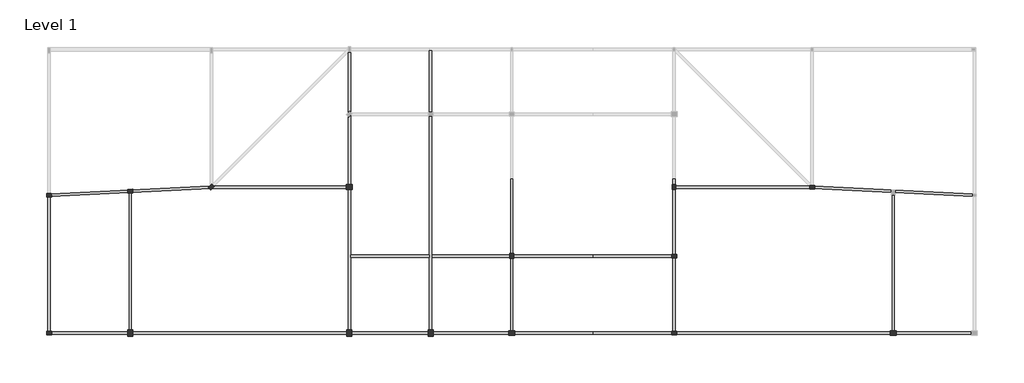
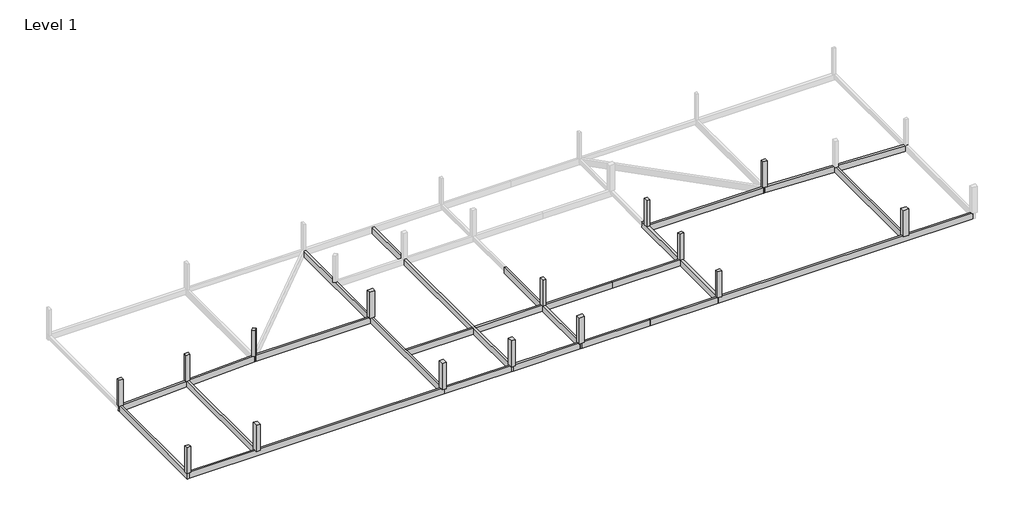
# One storey, part 1 of 2: 21 beams, 15 columns.
"""IFC4 building model written with IfcOpenShell, lengths in millimetres."""

from ifc_helpers import new_model, si_unit, frame, origin, origin_with_axes, place, context, project, spatial, polyline, outline, extrude, faceted_brep, element, save

model = new_model("IFC4")

# Units and contexts
model_context = context("Model", 3, world=origin())
ifc_project = project(units=[si_unit("LENGTHUNIT", "METRE", prefix="MILLI")], contexts=[model_context])

# Site, building, storey
site = spatial("IfcSite", under=ifc_project)
building = spatial("IfcBuilding", under=site)
storey = spatial("IfcBuildingStorey", under=building, Name="Level 1", Elevation=0.0)

# Beams
placement = place(None, origin())
element("IfcBeam", 1, ObjectType="M_Concrete-Rectangular Beam : 300 x 900mm", at=placement, inside=storey, context=model_context, shape_type="Brep", body=[
    faceted_brep([(4827.3778836, -7104.0145569, 0.0), (4527.3778836, -7104.0145569, 0.0), (4527.3778836, -6979.7504882, 0.0), (4527.3778836, -6899.1951396, 0.0), (-15172.6221164, -7884.1951396, 0.0), (-15472.6221164, -7899.1951396, 0.0), (-15472.6221164, -8199.5699055, 0.0), (-15172.6221164, -8184.5699055, 0.0), (-5472.6221164, -7699.5699055, 0.0), (-5172.6221164, -7684.5699055, 0.0), (4681.1255428, -7191.8825226, 0.0), (4827.3778836, -7184.5699055, 0.0), (4827.3778836, -7184.5699055, -900.0), (-15472.6221164, -8199.5699055, -900.0), (-15172.6221164, -8184.5699055, -900.0), (-5472.6221164, -7699.5699055, -900.0), (-5172.6221164, -7684.5699055, -900.0), (4681.1255428, -7191.8825226, -900.0), (4527.3778836, -7104.0145569, -900.0), (4827.3778836, -7104.0145569, -900.0), (-15472.6221164, -7899.1951396, -900.0), (4527.3778836, -6899.1951396, -900.0), (4527.3778836, -6979.7504882, -900.0), (-15472.6221164, -7899.1951396, -600.0)], [[[0, 1, 2, 3, 4, 5, 6, 7, 8, 9, 10, 11]], [[12, 11, 10, 9, 8, 7, 6, 13, 14, 15, 16, 17]], [[18, 19, 12, 17, 16, 15, 14, 13, 20, 21, 22]], [[3, 21, 20, 23, 5, 4]], [[21, 3, 2, 1, 18, 22]], [[18, 1, 0, 19]], [[11, 12, 19, 0]], [[6, 5, 23, 20, 13]]]),
])
element("IfcBeam", 2, ObjectType="M_Concrete-Rectangular Beam : 300 x 900mm", at=placement, inside=storey, context=model_context, shape_type="Brep", body=[
    faceted_brep([(-15472.6221164, -25191.8825226, 0.0), (-15172.6221164, -25191.8825226, 0.0), (-15172.6221164, -24891.8825226, 0.0), (-15172.6221164, -8184.5699055, 0.0), (-15472.6221164, -8199.5699055, 0.0), (-15472.6221164, -25191.8825226, -900.0), (-15472.6221164, -8199.5699055, -900.0), (-15172.6221164, -25191.8825226, -900.0), (-15172.6221164, -8184.5699055, -900.0), (-15172.6221164, -24891.8825226, -900.0)], [[[0, 1, 2, 3, 4]], [[5, 0, 4, 6]], [[7, 5, 6, 8, 9]], [[1, 7, 9, 8, 3, 2]], [[4, 3, 8, 6]], [[1, 0, 5, 7]]]),
])
element("IfcBeam", 3, ObjectType="M_Concrete-Rectangular Beam : 300 x 900mm", at=placement, inside=storey, context=model_context, shape_type="Brep", body=[
    faceted_brep([(21827.3778836, -25191.8825226, 0.0), (21827.3778836, -24891.8825226, 0.0), (21527.3778836, -24891.8825226, 0.0), (-5172.6221164, -24891.8825226, 0.0), (-5472.6221164, -24891.8825226, 0.0), (-15172.6221164, -24891.8825226, 0.0), (-15172.6221164, -25191.8825226, 0.0), (21827.3778836, -25191.8825226, -900.0), (-15172.6221164, -25191.8825226, -900.0), (21827.3778836, -24891.8825226, -900.0), (-15172.6221164, -24891.8825226, -900.0), (-5472.6221164, -24891.8825226, -900.0), (-5172.6221164, -24891.8825226, -900.0), (21527.3778836, -24891.8825226, -900.0)], [[[0, 1, 2, 3, 4, 5, 6]], [[7, 0, 6, 8]], [[9, 7, 8, 10, 11, 12, 13]], [[1, 9, 13, 12, 11, 10, 5, 4, 3, 2]], [[6, 5, 10, 8]], [[1, 0, 7, 9]]]),
])
element("IfcBeam", 4, ObjectType="M_Concrete-Rectangular Beam : 300 x 900mm", at=placement, inside=storey, context=model_context, shape_type="Brep", body=[
    faceted_brep([(21527.3778836, -24891.8825226, 0.0), (21827.3778836, -24891.8825226, 0.0), (21827.3778836, -15691.8825226, 0.0), (21827.3778836, -15391.8825226, 0.0), (21827.3778836, 1808.1174774, 0.0), (21827.3778836, 2108.1174774, 0.0), (21827.3778836, 9608.1174774, 0.0), (21827.3778836, 9808.1174774, 0.0), (21827.3778836, 9895.9854431, 0.0), (21527.3778836, 9595.9854431, 0.0), (21527.3778836, -6891.8825226, 0.0), (21527.3778836, -7191.8825226, 0.0), (21527.3778836, -24891.8825226, -900.0), (21527.3778836, 9595.9854431, -900.0), (21527.3778836, -6891.8825226, -900.0), (21527.3778836, -7191.8825226, -900.0), (21827.3778836, -24891.8825226, -900.0), (21827.3778836, 9895.9854431, -900.0), (21827.3778836, 9808.1174774, -900.0), (21827.3778836, 2108.1174774, -900.0), (21827.3778836, 1808.1174774, -900.0), (21827.3778836, -15391.8825226, -900.0), (21827.3778836, -15691.8825226, -900.0)], [[[0, 1, 2, 3, 4, 5, 6, 7, 8, 9, 10, 11]], [[12, 0, 11, 10, 9, 13, 14, 15]], [[16, 12, 15, 14, 13, 17, 18, 19, 20, 21, 22]], [[8, 7, 6, 5, 4, 3, 2, 1, 16, 22, 21, 20, 19, 18, 17]], [[1, 0, 12, 16]], [[9, 8, 17, 13]]]),
])
element("IfcBeam", 5, ObjectType="M_Concrete-Rectangular Beam : 300 x 900mm", at=placement, inside=storey, context=model_context, shape_type="SweptSolid", body=[
    extrude(outline(polyline([(-5472.6221164, -7699.5699055), (-5172.6221164, -7684.5699055), (-5172.6221164, -24891.8825226), (-5472.6221164, -24891.8825226), (-5472.6221164, -7699.5699055)])), frame((0.0, 0.0, -900.0), z_axis=(0.0, 0.0, 1.0), x_axis=(1.0, 0.0, 0.0)), (0.0, 0.0, 1.0), 900.0),
])
element("IfcBeam", 6, ObjectType="M_Concrete-Rectangular Beam : 300 x 900mm", at=placement, inside=storey, context=model_context, shape_type="SweptSolid", body=[
    extrude(outline(polyline([(4827.3778836, -7104.0145569), (5039.509918, -6891.8825226), (21527.3778836, -6891.8825226), (21527.3778836, -7191.8825226), (4681.1255428, -7191.8825226), (4827.3778836, -7184.5699055), (4827.3778836, -7104.0145569)])), frame((0.0, 0.0, -900.0), z_axis=(0.0, 0.0, 1.0), x_axis=(1.0, 0.0, 0.0)), (0.0, 0.0, 1.0), 900.0),
])
element("IfcBeam", 7, ObjectType="M_Concrete-Rectangular Beam : 300 x 900mm", at=placement, inside=storey, context=model_context, shape_type="Brep", body=[
    faceted_brep([(41827.3778836, -6041.8825226, 0.0), (41527.3778836, -6041.8825226, 0.0), (41527.3778836, -15391.8825226, 0.0), (41527.3778836, -15691.8825226, 0.0), (41527.3778836, -24891.8825226, 0.0), (41527.3778836, -25191.8825226, 0.0), (41827.3778836, -25191.8825226, 0.0), (41827.3778836, -24891.8825226, 0.0), (41827.3778836, -15691.8825226, 0.0), (41827.3778836, -15391.8825226, 0.0), (41827.3778836, -6041.8825226, -900.0), (41827.3778836, -6041.8825226, -600.0), (41827.3778836, -25191.8825226, -900.0), (41827.3778836, -24891.8825226, -900.0), (41827.3778836, -15691.8825226, -900.0), (41827.3778836, -15391.8825226, -900.0), (41527.3778836, -6041.8825226, -900.0), (41527.3778836, -25191.8825226, -900.0), (41527.3778836, -24891.8825226, -900.0), (41527.3778836, -15691.8825226, -900.0), (41527.3778836, -15391.8825226, -900.0), (41527.3778836, -6041.8825226, -600.0)], [[[0, 1, 2, 3, 4, 5, 6, 7, 8, 9]], [[10, 11, 0, 9, 8, 7, 6, 12, 13, 14, 15]], [[16, 10, 15, 14, 13, 12, 17, 18, 19, 20]], [[1, 21, 16, 20, 19, 18, 17, 5, 4, 3, 2]], [[16, 21, 1, 0, 11, 10]], [[6, 5, 17, 12]]]),
])
element("IfcBeam", 8, ObjectType="M_Concrete-Rectangular Beam : 300 x 900mm", at=placement, inside=storey, context=model_context, shape_type="Brep", body=[
    faceted_brep([(31527.3778836, -25191.8825226, 0.0), (31827.3778836, -25191.8825226, 0.0), (31827.3778836, -24891.8825226, 0.0), (31827.3778836, -15691.8825226, 0.0), (31827.3778836, -15391.8825226, 0.0), (31827.3778836, 1808.1174774, 0.0), (31827.3778836, 2108.1174774, 0.0), (31827.3778836, 9808.1174774, 0.0), (31527.3778836, 9808.1174774, 0.0), (31527.3778836, 2108.1174774, 0.0), (31527.3778836, 1808.1174774, 0.0), (31527.3778836, -15391.8825226, 0.0), (31527.3778836, -15691.8825226, 0.0), (31527.3778836, -24891.8825226, 0.0), (31827.3778836, -25191.8825226, -900.0), (31827.3778836, -24891.8825226, -900.0), (31827.3778836, -15691.8825226, -900.0), (31827.3778836, -15391.8825226, -900.0), (31827.3778836, 1808.1174774, -900.0), (31827.3778836, 2108.1174774, -900.0), (31827.3778836, 9808.1174774, -900.0), (31527.3778836, -25191.8825226, -900.0), (31527.3778836, -24891.8825226, -900.0), (31527.3778836, -15691.8825226, -900.0), (31527.3778836, -15391.8825226, -900.0), (31527.3778836, 1808.1174774, -900.0), (31527.3778836, 2108.1174774, -900.0), (31527.3778836, 9808.1174774, -900.0)], [[[0, 1, 2, 3, 4, 5, 6, 7, 8, 9, 10, 11, 12, 13]], [[1, 14, 15, 16, 17, 18, 19, 20, 7, 6, 5, 4, 3, 2]], [[14, 21, 22, 23, 24, 25, 26, 27, 20, 19, 18, 17, 16, 15]], [[21, 0, 13, 12, 11, 10, 9, 8, 27, 26, 25, 24, 23, 22]], [[8, 7, 20, 27]], [[1, 0, 21, 14]]]),
])
element("IfcBeam", 9, ObjectType="M_Concrete-Rectangular Beam : 300 x 900mm", at=placement, inside=storey, context=model_context, shape_type="SweptSolid", body=[
    extrude(outline(polyline([(41527.3778836, -24891.8825226), (41527.3778836, -25191.8825226), (31827.3778836, -25191.8825226), (31827.3778836, -24891.8825226), (41527.3778836, -24891.8825226)])), frame((0.0, 0.0, -900.0), z_axis=(0.0, 0.0, 1.0), x_axis=(1.0, 0.0, 0.0)), (0.0, 0.0, 1.0), 900.0),
])
element("IfcBeam", 10, ObjectType="M_Concrete-Rectangular Beam : 300 x 900mm", at=placement, inside=storey, context=model_context, shape_type="SweptSolid", body=[
    extrude(outline(polyline([(41527.3778836, -15391.8825226), (41527.3778836, -15691.8825226), (31827.3778836, -15691.8825226), (31827.3778836, -15391.8825226), (41527.3778836, -15391.8825226)])), frame((0.0, 0.0, -900.0), z_axis=(0.0, 0.0, 1.0), x_axis=(1.0, 0.0, 0.0)), (0.0, 0.0, 1.0), 900.0),
])
element("IfcBeam", 11, ObjectType="M_Concrete-Rectangular Beam : 300 x 900mm", at=placement, inside=storey, context=model_context, shape_type="SweptSolid", body=[
    extrude(outline(polyline([(31527.3778836, -24891.8825226), (31527.3778836, -25191.8825226), (21827.3778836, -25191.8825226), (21827.3778836, -24891.8825226), (31527.3778836, -24891.8825226)])), frame((0.0, 0.0, -900.0), z_axis=(0.0, 0.0, 1.0), x_axis=(1.0, 0.0, 0.0)), (0.0, 0.0, 1.0), 900.0),
])
element("IfcBeam", 12, ObjectType="M_Concrete-Rectangular Beam : 300 x 900mm", at=placement, inside=storey, context=model_context, shape_type="SweptSolid", body=[
    extrude(outline(polyline([(31527.3778836, -15391.8825226), (31527.3778836, -15691.8825226), (21827.3778836, -15691.8825226), (21827.3778836, -15391.8825226), (31527.3778836, -15391.8825226)])), frame((0.0, 0.0, -900.0), z_axis=(0.0, 0.0, 1.0), x_axis=(1.0, 0.0, 0.0)), (0.0, 0.0, 1.0), 900.0),
])
element("IfcBeam", 13, ObjectType="M_Concrete-Rectangular Beam : 300 x 900mm", at=placement, inside=storey, context=model_context, shape_type="Brep", body=[
    faceted_brep([(98827.3778836, -8199.5699055, 0.0), (98827.3778836, -7899.1951396, 0.0), (98527.3778836, -7884.1951396, 0.0), (78827.3778836, -6899.1951396, 0.0), (78827.3778836, -6979.7504882, 0.0), (78827.3778836, -7104.0145569, 0.0), (78527.3778836, -7104.0145569, 0.0), (78527.3778836, -7184.5699055, 0.0), (78673.6302244, -7191.8825226, 0.0), (88527.3778836, -7684.5699055, 0.0), (88827.3778836, -7699.5699055, 0.0), (98527.3778836, -8184.5699055, 0.0), (98827.3778836, -8199.5699055, -900.0), (78527.3778836, -7184.5699055, -900.0), (78673.6302244, -7191.8825226, -900.0), (88527.3778836, -7684.5699055, -900.0), (88827.3778836, -7699.5699055, -900.0), (98527.3778836, -8184.5699055, -900.0), (98827.3778836, -7899.1951396, -900.0), (78527.3778836, -7104.0145569, -900.0), (78827.3778836, -7104.0145569, -900.0), (78827.3778836, -6979.7504882, -900.0), (78827.3778836, -6899.1951396, -900.0), (98827.3778836, -7899.1951396, -600.0)], [[[0, 1, 2, 3, 4, 5, 6, 7, 8, 9, 10, 11]], [[12, 0, 11, 10, 9, 8, 7, 13, 14, 15, 16, 17]], [[18, 12, 17, 16, 15, 14, 13, 19, 20, 21, 22]], [[22, 3, 2, 1, 23, 18]], [[3, 22, 21, 20, 5, 4]], [[1, 0, 12, 18, 23]], [[13, 7, 6, 19]], [[5, 20, 19, 6]]]),
])
element("IfcBeam", 14, ObjectType="M_Concrete-Rectangular Beam : 300 x 900mm", at=placement, inside=storey, context=model_context, shape_type="Brep", body=[
    faceted_brep([(61527.3778836, -24891.8825226, 0.0), (61527.3778836, -25191.8825226, 0.0), (98527.3778836, -25191.8825226, 0.0), (98527.3778836, -24891.8825226, 0.0), (88827.3778836, -24891.8825226, 0.0), (88527.3778836, -24891.8825226, 0.0), (61827.3778836, -24891.8825226, 0.0), (61527.3778836, -25191.8825226, -900.0), (98527.3778836, -25191.8825226, -900.0), (61527.3778836, -24891.8825226, -900.0), (61827.3778836, -24891.8825226, -900.0), (88527.3778836, -24891.8825226, -900.0), (88827.3778836, -24891.8825226, -900.0), (98527.3778836, -24891.8825226, -900.0)], [[[0, 1, 2, 3, 4, 5, 6]], [[1, 7, 8, 2]], [[7, 9, 10, 11, 12, 13, 8]], [[9, 0, 6, 5, 4, 3, 13, 12, 11, 10]], [[3, 2, 8, 13]], [[1, 0, 9, 7]]]),
])
element("IfcBeam", 15, ObjectType="M_Concrete-Rectangular Beam : 300 x 900mm", at=placement, inside=storey, context=model_context, shape_type="Brep", body=[
    faceted_brep([(61827.3778836, -6041.8825226, 0.0), (61527.3778836, -6041.8825226, 0.0), (61527.3778836, -15391.8825226, 0.0), (61527.3778836, -15691.8825226, 0.0), (61527.3778836, -24891.8825226, 0.0), (61827.3778836, -24891.8825226, 0.0), (61827.3778836, -7191.8825226, 0.0), (61827.3778836, -6891.8825226, 0.0), (61827.3778836, -6041.8825226, -900.0), (61827.3778836, -6041.8825226, -600.0), (61827.3778836, -24891.8825226, -900.0), (61827.3778836, -7191.8825226, -900.0), (61827.3778836, -6891.8825226, -900.0), (61527.3778836, -6041.8825226, -900.0), (61527.3778836, -24891.8825226, -900.0), (61527.3778836, -15691.8825226, -900.0), (61527.3778836, -15391.8825226, -900.0), (61527.3778836, -6041.8825226, -600.0)], [[[0, 1, 2, 3, 4, 5, 6, 7]], [[8, 9, 0, 7, 6, 5, 10, 11, 12]], [[13, 8, 12, 11, 10, 14, 15, 16]], [[1, 17, 13, 16, 15, 14, 4, 3, 2]], [[5, 4, 14, 10]], [[13, 17, 1, 0, 9, 8]]]),
])
element("IfcBeam", 16, ObjectType="M_Concrete-Rectangular Beam : 300 x 900mm", at=placement, inside=storey, context=model_context, shape_type="SweptSolid", body=[
    extrude(outline(polyline([(88527.3778836, -7684.5699055), (88827.3778836, -7699.5699055), (88827.3778836, -24891.8825226), (88527.3778836, -24891.8825226), (88527.3778836, -7684.5699055)])), frame((0.0, 0.0, -900.0), z_axis=(0.0, 0.0, 1.0), x_axis=(1.0, 0.0, 0.0)), (0.0, 0.0, 1.0), 900.0),
])
element("IfcBeam", 17, ObjectType="M_Concrete-Rectangular Beam : 300 x 900mm", at=placement, inside=storey, context=model_context, shape_type="SweptSolid", body=[
    extrude(outline(polyline([(78315.2458493, -6891.8825226), (78527.3778836, -7104.0145569), (78527.3778836, -7184.5699055), (78673.6302244, -7191.8825226), (61827.3778836, -7191.8825226), (61827.3778836, -6891.8825226), (78315.2458493, -6891.8825226)])), frame((0.0, 0.0, -900.0), z_axis=(0.0, 0.0, 1.0), x_axis=(1.0, 0.0, 0.0)), (0.0, 0.0, 1.0), 900.0),
])
element("IfcBeam", 18, ObjectType="M_Concrete-Rectangular Beam : 300 x 900mm", at=placement, inside=storey, context=model_context, shape_type="SweptSolid", body=[
    extrude(outline(polyline([(51677.3778836, -24891.8825226), (51677.3778836, -25191.8825226), (41827.3778836, -25191.8825226), (41827.3778836, -24891.8825226), (51677.3778836, -24891.8825226)])), frame((0.0, 0.0, -900.0), z_axis=(0.0, 0.0, 1.0), x_axis=(1.0, 0.0, 0.0)), (0.0, 0.0, 1.0), 900.0),
])
element("IfcBeam", 19, ObjectType="M_Concrete-Rectangular Beam : 300 x 900mm", at=placement, inside=storey, context=model_context, shape_type="SweptSolid", body=[
    extrude(outline(polyline([(51677.3778836, -15391.8825226), (51677.3778836, -15691.8825226), (41827.3778836, -15691.8825226), (41827.3778836, -15391.8825226), (51677.3778836, -15391.8825226)])), frame((0.0, 0.0, -900.0), z_axis=(0.0, 0.0, 1.0), x_axis=(1.0, 0.0, 0.0)), (0.0, 0.0, 1.0), 900.0),
])
element("IfcBeam", 20, ObjectType="M_Concrete-Rectangular Beam : 300 x 900mm", at=placement, inside=storey, context=model_context, shape_type="SweptSolid", body=[
    extrude(outline(polyline([(51677.3778836, -25191.8825226), (51677.3778836, -24891.8825226), (61527.3778836, -24891.8825226), (61527.3778836, -25191.8825226), (51677.3778836, -25191.8825226)])), frame((0.0, 0.0, -900.0), z_axis=(0.0, 0.0, 1.0), x_axis=(1.0, 0.0, 0.0)), (0.0, 0.0, 1.0), 900.0),
])
element("IfcBeam", 21, ObjectType="M_Concrete-Rectangular Beam : 300 x 900mm", at=placement, inside=storey, context=model_context, shape_type="SweptSolid", body=[
    extrude(outline(polyline([(51677.3778836, -15691.8825226), (51677.3778836, -15391.8825226), (61527.3778836, -15391.8825226), (61527.3778836, -15691.8825226), (51677.3778836, -15691.8825226)])), frame((0.0, 0.0, -900.0), z_axis=(0.0, 0.0, 1.0), x_axis=(1.0, 0.0, 0.0)), (0.0, 0.0, 1.0), 900.0),
])

# Columns
element("IfcColumn", 22, ObjectType="M_Concrete-Rectangular-Column : 450 x 600mm", at=placement, inside=storey, context=model_context, shape_type="SweptSolid", body=[
    extrude(outline(polyline([(78377.3778836, -6816.8825226), (78977.3778836, -6816.8825226), (78977.3778836, -7266.8825226), (78377.3778836, -7266.8825226), (78377.3778836, -6816.8825226)])), origin_with_axes(), (0.0, 0.0, 1.0), 4000.0),
])
element("IfcColumn", 23, ObjectType="M_Concrete-Rectangular-Column : 450 x 600mm", at=placement, inside=storey, context=model_context, shape_type="SweptSolid", body=[
    extrude(outline(polyline([(61452.3778836, -7341.8825226), (61452.3778836, -6741.8825226), (61902.3778836, -6741.8825226), (61902.3778836, -7341.8825226), (61452.3778836, -7341.8825226)])), origin_with_axes(), (0.0, 0.0, 1.0), 4000.0),
])
element("IfcColumn", 24, ObjectType="M_Concrete-Rectangular-Column : 450 x 600mm", at=placement, inside=storey, context=model_context, shape_type="SweptSolid", body=[
    extrude(outline(polyline([(41452.3778836, -15841.8825226), (41452.3778836, -15241.8825226), (41902.3778836, -15241.8825226), (41902.3778836, -15841.8825226), (41452.3778836, -15841.8825226)])), origin_with_axes(), (0.0, 0.0, 1.0), 4000.0),
])
element("IfcColumn", 25, ObjectType="M_Concrete-Rectangular-Column : 450 x 600mm", at=placement, inside=storey, context=model_context, shape_type="SweptSolid", body=[
    extrude(outline(polyline([(61977.3778836, -15766.8825226), (61377.3778836, -15766.8825226), (61377.3778836, -15316.8825226), (61977.3778836, -15316.8825226), (61977.3778836, -15766.8825226)])), origin_with_axes(), (0.0, 0.0, 1.0), 4000.0),
])
element("IfcColumn", 26, ObjectType="M_Concrete-Rectangular-Column : 450 x 600mm", at=placement, inside=storey, context=model_context, shape_type="SweptSolid", body=[
    extrude(outline(polyline([(61977.3778836, -25266.8825226), (61377.3778836, -25266.8825226), (61377.3778836, -24816.8825226), (61977.3778836, -24816.8825226), (61977.3778836, -25266.8825226)])), origin_with_axes(), (0.0, 0.0, 1.0), 4000.0),
])
element("IfcColumn", 27, ObjectType="M_Concrete-Rectangular-Column : 450 x 600mm", at=placement, inside=storey, context=model_context, shape_type="SweptSolid", body=[
    extrude(outline(polyline([(5048.6089437, -6988.849514), (4624.344875, -7413.1135827), (4306.1468235, -7094.9155312), (4730.4108922, -6670.6514625), (5048.6089437, -6988.849514)])), origin_with_axes(), (0.0, 0.0, 1.0), 4000.0),
])
element("IfcColumn", 28, ObjectType="M_Concrete-Rectangular-Column : 450 x 600mm", at=placement, inside=storey, context=model_context, shape_type="SweptSolid", body=[
    extrude(outline(polyline([(-5633.4837819, -7332.1445314), (-5034.2323785, -7302.1819613), (-5011.7604509, -7751.6205137), (-5611.0118542, -7781.5830839), (-5633.4837819, -7332.1445314)])), origin_with_axes(), (0.0, 0.0, 1.0), 4000.0),
])
element("IfcColumn", 29, ObjectType="M_Concrete-Rectangular-Column : 450 x 600mm", at=placement, inside=storey, context=model_context, shape_type="SweptSolid", body=[
    extrude(outline(polyline([(-15633.4837819, -7832.1445314), (-15034.2323785, -7802.1819613), (-15011.7604509, -8251.6205137), (-15611.0118542, -8281.5830839), (-15633.4837819, -7832.1445314)])), origin_with_axes(), (0.0, 0.0, 1.0), 4000.0),
])
element("IfcColumn", 30, ObjectType="M_Concrete-Rectangular-Column : 450 x 600mm", at=placement, inside=storey, context=model_context, shape_type="SweptSolid", body=[
    extrude(outline(polyline([(-15022.6221164, -25266.8825226), (-15622.6221164, -25266.8825226), (-15622.6221164, -24816.8825226), (-15022.6221164, -24816.8825226), (-15022.6221164, -25266.8825226)])), origin_with_axes(), (0.0, 0.0, 1.0), 4000.0),
])
element("IfcColumn", 31, ObjectType="M_Concrete-Rectangular-Column : 600 x 750mm", at=placement, inside=storey, context=model_context, shape_type="SweptSolid", body=[
    extrude(outline(polyline([(-5022.6221164, -24666.8825226), (-5022.6221164, -25416.8825226), (-5622.6221164, -25416.8825226), (-5622.6221164, -24666.8825226), (-5022.6221164, -24666.8825226)])), origin_with_axes(), (0.0, 0.0, 1.0), 4000.0),
])
element("IfcColumn", 32, ObjectType="M_Concrete-Rectangular-Column : 600 x 750mm", at=placement, inside=storey, context=model_context, shape_type="SweptSolid", body=[
    extrude(outline(polyline([(21977.3778836, -24666.8825226), (21977.3778836, -25416.8825226), (21377.3778836, -25416.8825226), (21377.3778836, -24666.8825226), (21977.3778836, -24666.8825226)])), origin_with_axes(), (0.0, 0.0, 1.0), 4000.0),
])
element("IfcColumn", 33, ObjectType="M_Concrete-Rectangular-Column : 600 x 750mm", at=placement, inside=storey, context=model_context, shape_type="SweptSolid", body=[
    extrude(outline(polyline([(31977.3778836, -24666.8825226), (31977.3778836, -25416.8825226), (31377.3778836, -25416.8825226), (31377.3778836, -24666.8825226), (31977.3778836, -24666.8825226)])), origin_with_axes(), (0.0, 0.0, 1.0), 4000.0),
])
element("IfcColumn", 34, ObjectType="M_Concrete-Rectangular-Column : 600 x 750mm", at=placement, inside=storey, context=model_context, shape_type="SweptSolid", body=[
    extrude(outline(polyline([(41302.3778836, -24741.8825226), (42052.3778836, -24741.8825226), (42052.3778836, -25341.8825226), (41302.3778836, -25341.8825226), (41302.3778836, -24741.8825226)])), origin_with_axes(), (0.0, 0.0, 1.0), 4000.0),
])
element("IfcColumn", 35, ObjectType="M_Concrete-Rectangular-Column : 600 x 750mm", at=placement, inside=storey, context=model_context, shape_type="SweptSolid", body=[
    extrude(outline(polyline([(88302.3778836, -24741.8825226), (89052.3778836, -24741.8825226), (89052.3778836, -25341.8825226), (88302.3778836, -25341.8825226), (88302.3778836, -24741.8825226)])), origin_with_axes(), (0.0, 0.0, 1.0), 4000.0),
])
element("IfcColumn", 36, ObjectType="M_Concrete-Rectangular-Column : 600 x 750mm", at=placement, inside=storey, context=model_context, shape_type="SweptSolid", body=[
    extrude(outline(polyline([(21302.3778836, -6741.8825226), (22052.3778836, -6741.8825226), (22052.3778836, -7341.8825226), (21302.3778836, -7341.8825226), (21302.3778836, -6741.8825226)])), origin_with_axes(), (0.0, 0.0, 1.0), 4000.0),
])

save(model, "model.ifc")
